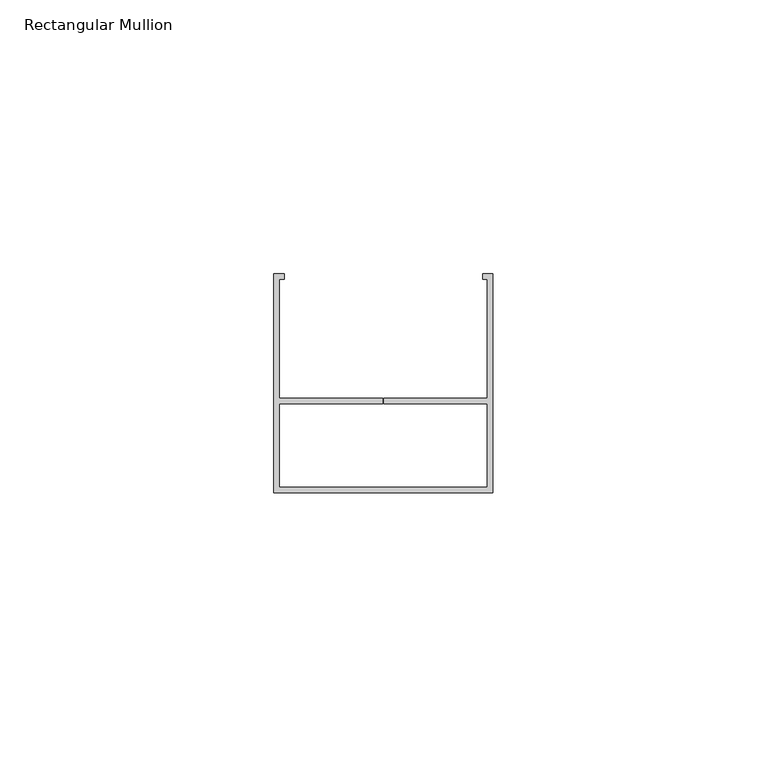
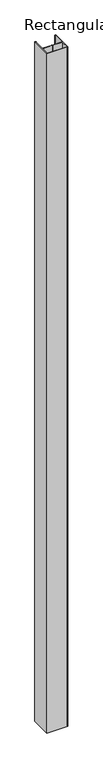
"""IFC4 building model written with IfcOpenShell, lengths in millimetres: member geometry, Rectangular Mullion."""

from ifc_helpers import new_model, si_unit, frame, origin, place, context, project, spatial, polyline, outline, extrude, source, transform, mapped, element, save


def rectangular_mullion_beceacbb(model_context):
    return source(origin(), model_context, "Body", "SweptSolid", [
        extrude(outline(polyline([(0.0, -20.0), (-40.0, -20.0), (-40.0, 20.0), (-38.121247, 20.0), (-38.121247, 19.0), (-39.0, 19.0), (-39.0, -2.6912936), (-20.0940207, -2.6912936), (-20.0940207, -3.6912936), (-39.0, -3.6912936), (-39.0, -19.0), (-1.0, -19.0), (-1.0, -3.6912936), (-19.9065207, -3.6912936), (-19.9065207, -2.6912936), (-1.0, -2.6912936), (-1.0, 19.0), (-1.8543362, 19.0), (-1.8543362, 20.0), (0.0, 20.0), (0.0, -20.0)])), frame((0.0, 0.0, -1374.4097886), z_axis=(0.0, 0.0, 1.0), x_axis=(1.0, 0.0, 0.0)), (0.0, 0.0, 1.0), 1374.4097886),
    ])


if __name__ == "__main__":
    model = new_model("IFC4")
    model_context = context("Model", 3, world=origin())
    ifc_project = project(units=[si_unit("LENGTHUNIT", "METRE", prefix="MILLI")], contexts=[model_context])
    site = spatial("IfcSite", under=ifc_project)
    building = spatial("IfcBuilding", under=site)
    placement = place(None, origin())
    rectangular_mullion_shape = rectangular_mullion_beceacbb(model_context)
    element("IfcMember", 1, ObjectType="Rectangular Mullion", at=placement, inside=building, context=model_context, shape_type="MappedRepresentation", body=[
        mapped(rectangular_mullion_shape, transform((0.0, 0.0, 0.0), x_axis=(1.0, 0.0, 0.0), y_axis=(0.0, 1.0, 0.0), z_axis=(0.0, 0.0, 1.0))),
    ])
    save(model, "model.ifc")
